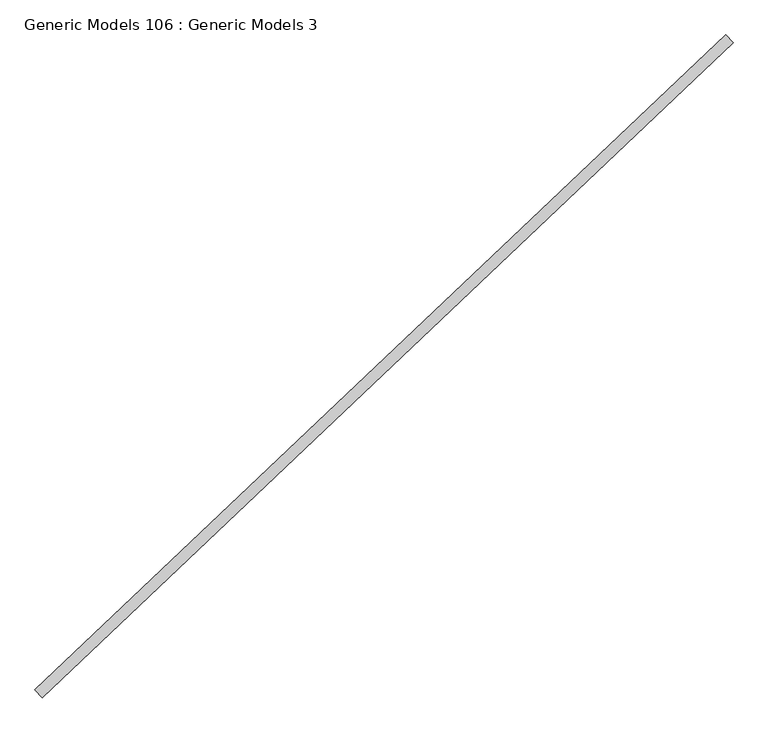
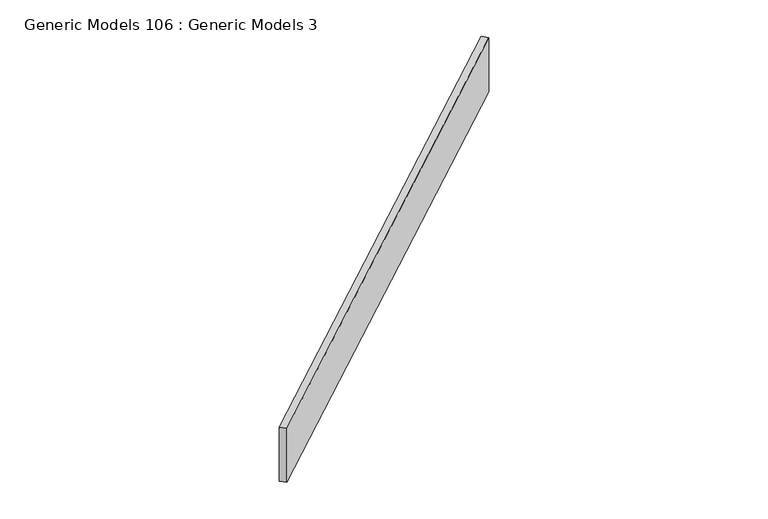
"""IFC4 building model written with IfcOpenShell, lengths in millimetres: proxy geometry, Generic Models 106 : Generic Models 3."""

from ifc_helpers import new_model, si_unit, frame, origin, place, context, project, spatial, polyline, outline, extrude, source, transform, mapped, element, save


def generic_models_106_generic_models_3_c6458f18(model_context):
    return source(origin(), model_context, "Body", "SweptSolid", [
        extrude(outline(polyline([(105150.5960838, 45805.610995), (105185.5644962, 45768.761977), (101899.0926991, 42650.016692), (101864.1242867, 42686.86571), (105150.5960838, 45805.610995)])), frame((0.0, 0.0, 17403.1216464), z_axis=(0.0, 0.0, 1.0), x_axis=(1.0, 0.0, 0.0)), (0.0, 0.0, 1.0), 421.3157394),
    ])


if __name__ == "__main__":
    model = new_model("IFC4")
    model_context = context("Model", 3, world=origin())
    ifc_project = project(units=[si_unit("LENGTHUNIT", "METRE", prefix="MILLI")], contexts=[model_context])
    site = spatial("IfcSite", under=ifc_project)
    building = spatial("IfcBuilding", under=site)
    placement = place(None, origin())
    generic_models_106_generic_models_3_shape = generic_models_106_generic_models_3_c6458f18(model_context)
    element("IfcBuildingElementProxy", 1, Name="Generic Models 106 : Generic Models 3", ObjectType="Generic Models 106 : Generic Models 3", at=placement, inside=building, context=model_context, shape_type="MappedRepresentation", body=[
        mapped(generic_models_106_generic_models_3_shape, transform((0.0, 0.0, 0.0), x_axis=(1.0, 0.0, 0.0), y_axis=(0.0, 1.0, 0.0), z_axis=(0.0, 0.0, 1.0))),
    ])
    save(model, "model.ifc")
